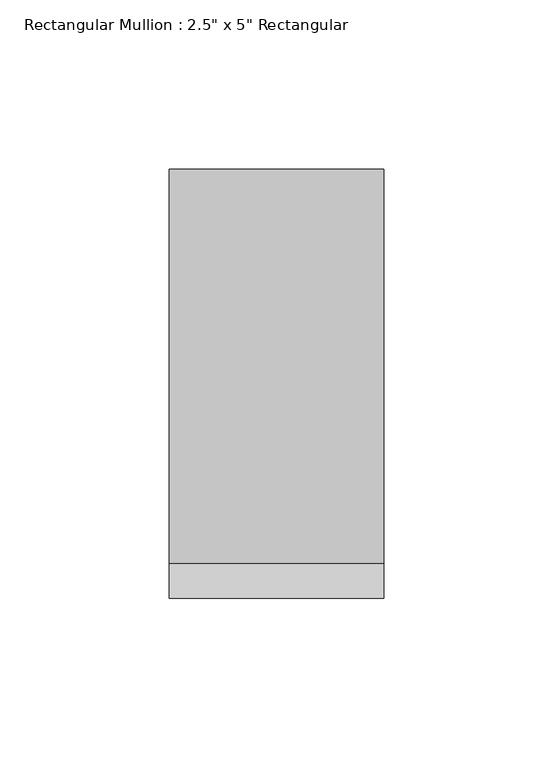
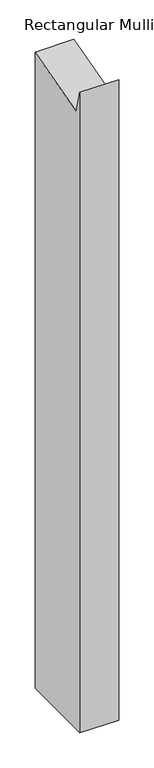
"""IFC4 building model written with IfcOpenShell, lengths in millimetres: member geometry."""

from ifc_helpers import new_model, si_unit, frame, origin, place, context, project, spatial, polyline, outline, extrude, source, transform, mapped, element, save


def member_30683c4a(model_context):
    return source(origin(), model_context, "Body", "SweptSolid", [
        extrude(outline(polyline([(-63.5, 23.3900664), (-53.1187853, -15.3531543), (63.5, 15.894755), (63.5, -1088.0706742), (-63.5, -1088.0706742), (-63.5, 23.3900664)])), frame((-63.5, 0.0, 0.0), z_axis=(1.0, 0.0, 0.0), x_axis=(0.0, 1.0, 0.0)), (0.0, 0.0, 1.0), 63.5),
    ])


if __name__ == "__main__":
    model = new_model("IFC4")
    model_context = context("Model", 3, world=origin())
    ifc_project = project(units=[si_unit("LENGTHUNIT", "METRE", prefix="MILLI")], contexts=[model_context])
    site = spatial("IfcSite", under=ifc_project)
    building = spatial("IfcBuilding", under=site)
    placement = place(None, origin())
    member_shape = member_30683c4a(model_context)
    element("IfcMember", 1, ObjectType="Rectangular Mullion : 2.5\" x 5\" Rectangular", at=placement, inside=building, context=model_context, shape_type="MappedRepresentation", body=[
        mapped(member_shape, transform((0.0, 0.0, 0.0), x_axis=(1.0, 0.0, 0.0), y_axis=(0.0, 1.0, 0.0), z_axis=(0.0, 0.0, 1.0))),
    ])
    save(model, "model.ifc")
